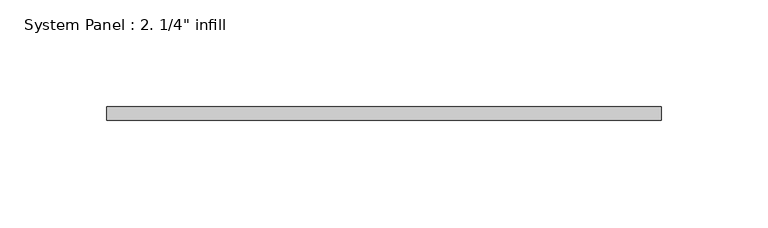
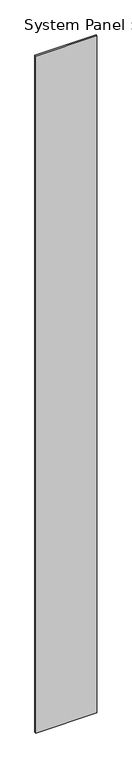
"""IFC4 building model written with IfcOpenShell, lengths in millimetres: plate geometry."""

from ifc_helpers import new_model, si_unit, origin, origin_with_axes, place, context, project, spatial, polyline, outline, extrude, source, transform, mapped, element, save


def plate_15ae3901(model_context):
    return source(origin(), model_context, "Body", "SweptSolid", [
        extrude(outline(polyline([(130.175, -6.35), (-130.175, -6.35), (-130.175, 0.0), (130.175, 0.0), (130.175, -6.35)])), origin_with_axes(), (0.0, 0.0, 1.0), 3048.0),
    ])


if __name__ == "__main__":
    model = new_model("IFC4")
    model_context = context("Model", 3, world=origin())
    ifc_project = project(units=[si_unit("LENGTHUNIT", "METRE", prefix="MILLI")], contexts=[model_context])
    site = spatial("IfcSite", under=ifc_project)
    building = spatial("IfcBuilding", under=site)
    placement = place(None, origin())
    plate_shape = plate_15ae3901(model_context)
    element("IfcPlate", 1, ObjectType="System Panel : 2. 1/4\" infill", at=placement, inside=building, context=model_context, shape_type="MappedRepresentation", body=[
        mapped(plate_shape, transform((0.0, 0.0, 0.0), x_axis=(1.0, 0.0, 0.0), y_axis=(0.0, 1.0, 0.0), z_axis=(0.0, 0.0, 1.0))),
    ])
    save(model, "model.ifc")
